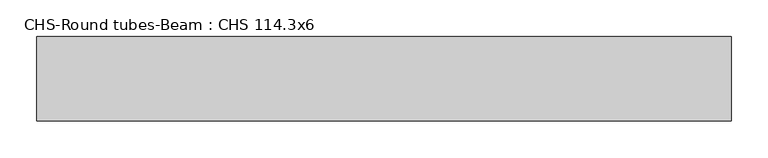
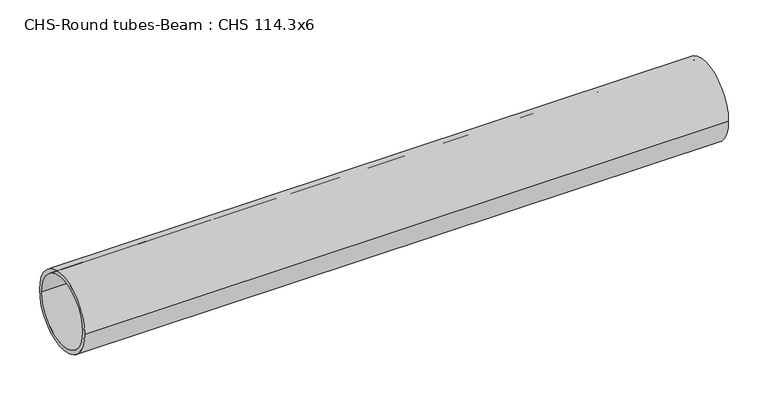
"""IFC4 building model written with IfcOpenShell, lengths in millimetres: beam geometry, CHS-Round tubes-Beam : CHS 114.3x6."""

import ifcopenshell
import ifcopenshell.guid

model = None  # the IFC model being written
_history = None  # IfcOwnerHistory: only IFC2X3 demands one
_inside = {}  # id of a spatial element -> (the spatial element, [elements in it])
_under = {}  # id of a project, library or spatial element -> (it, [spatial elements below it])
_declared = {}  # id of a project -> (the project, [libraries it declares])
_typed = {}  # id of a type object -> (the type object, [elements of that type])
_made_of = {}  # id of a material, layer set ... -> (it, [elements and type objects made of it])


def new_model(schema):
    """Start an empty IFC model of exactly this schema.

    Asked for "IFC4X3", IfcOpenShell would pick the latest addendum, in which some entities
    have other attributes; the version numbers below select the first issue.
    IFC2X3 requires an IfcOwnerHistory on every rooted entity: one is made here for all.
    """
    global model, _history
    if schema == "IFC4X3":
        model = ifcopenshell.file(schema_version=(4, 3, 0, 0))
    else:
        model = ifcopenshell.file(schema=schema)
    _inside.clear()
    _under.clear()
    _declared.clear()
    _typed.clear()
    _made_of.clear()
    _history = None
    if model.schema == "IFC2X3":
        org = make("IfcOrganization", Name="unknown")
        user = make(
            "IfcPersonAndOrganization",
            ThePerson=make("IfcPerson", FamilyName="unknown"),
            TheOrganization=org,
        )
        app = make(
            "IfcApplication",
            ApplicationDeveloper=org,
            Version="unknown",
            ApplicationFullName="unknown",
            ApplicationIdentifier="unknown",
        )
        _history = make(
            "IfcOwnerHistory",
            OwningUser=user,
            OwningApplication=app,
            ChangeAction="ADDED",
            CreationDate=0,
        )
    return model


def make(cls, **values):
    """One entity of the class cls with the attributes given. An attribute that is None is left unset."""
    return model.create_entity(
        cls, **{name: value for name, value in values.items() if value is not None}
    )


def rooted(cls, **values):
    """An entity with a GlobalId (a new one), such as an element, a storey or a relation."""
    return make(cls, GlobalId=ifcopenshell.guid.new(), OwnerHistory=_history, **values)


def si_unit(unit_type, name, prefix=None):
    """IfcSIUnit, for example si_unit("LENGTHUNIT", "METRE", prefix="MILLI")."""
    return make("IfcSIUnit", UnitType=unit_type, Prefix=prefix, Name=name)


def assignment(units):
    """IfcUnitAssignment: the units of a project."""
    return None if units is None else make("IfcUnitAssignment", Units=units)


def point(xyz):
    """IfcCartesianPoint."""
    return None if xyz is None else make("IfcCartesianPoint", Coordinates=xyz)


def direction(xyz):
    """IfcDirection."""
    return None if xyz is None else make("IfcDirection", DirectionRatios=xyz)


def frame(location, z_axis=None, x_axis=None):
    """IfcAxis2Placement3D, a coordinate frame: its origin and axes. An axis left out is left unset."""
    return make(
        "IfcAxis2Placement3D",
        Location=point(location),
        Axis=direction(z_axis),
        RefDirection=direction(x_axis),
    )


def frame_2d(location, x_axis=None):
    """IfcAxis2Placement2D, a coordinate frame in the plane: its origin and x axis."""
    return make(
        "IfcAxis2Placement2D", Location=point(location), RefDirection=direction(x_axis)
    )


def origin():
    """The frame at (0, 0, 0) with its axes left unset."""
    return frame((0.0, 0.0, 0.0))


def origin_2d():
    """The frame at (0, 0) in the plane with its x axis left unset."""
    return frame_2d((0.0, 0.0))


def place(relative_to, where):
    """IfcLocalPlacement: puts the frame where relative to a parent placement (None: the world)."""
    return make(
        "IfcLocalPlacement", PlacementRelTo=relative_to, RelativePlacement=where
    )


def context(
    kind, dimensions, precision=None, world=None, true_north=None, identifier=None
):
    """IfcGeometricRepresentationContext, for example the 3D "Model" context."""
    return make(
        "IfcGeometricRepresentationContext",
        ContextIdentifier=identifier,
        ContextType=kind,
        CoordinateSpaceDimension=dimensions,
        Precision=precision,
        WorldCoordinateSystem=world,
        TrueNorth=true_north,
    )


def project(units=None, contexts=None):
    """IfcProject with its units and contexts."""
    return rooted(
        "IfcProject",
        Name="project",
        RepresentationContexts=contexts,
        UnitsInContext=assignment(units),
    )


def spatial(cls, under=None, at=None, **own):
    """A site, building, storey or space (cls), placed at a placement, below another one or the project."""
    s = rooted(cls, ObjectPlacement=at, **own)
    if under is not None:
        _under.setdefault(under.id(), (under, []))[1].append(s)
    return s


def circle_curve(where, radius):
    """IfcCircle in the frame where."""
    return make("IfcCircle", Position=where, Radius=radius)


def trimmed(basis, trim1, trim2, sense, master):
    """IfcTrimmedCurve: the piece of a basis curve between two trims."""
    return make(
        "IfcTrimmedCurve",
        BasisCurve=basis,
        Trim1=trim1,
        Trim2=trim2,
        SenseAgreement=sense,
        MasterRepresentation=master,
    )


def segment(curve, same_sense, transition):
    """IfcCompositeCurveSegment."""
    return make(
        "IfcCompositeCurveSegment",
        Transition=transition,
        SameSense=same_sense,
        ParentCurve=curve,
    )


def composite_curve(segments, self_intersect=None):
    """IfcCompositeCurve: segments joined end to end."""
    return make("IfcCompositeCurve", Segments=segments, SelfIntersect=self_intersect)


def outline(outer, holes=None, kind="AREA"):
    """IfcArbitraryClosedProfileDef: a profile drawn as a closed curve; with holes, ...WithVoids."""
    if holes is None:
        return make("IfcArbitraryClosedProfileDef", ProfileType=kind, OuterCurve=outer)
    return make(
        "IfcArbitraryProfileDefWithVoids",
        ProfileType=kind,
        OuterCurve=outer,
        InnerCurves=holes,
    )


def extrude(swept, where, along, depth):
    """IfcExtrudedAreaSolid: the profile swept, set in the frame where, extruded along a direction by depth."""
    return make(
        "IfcExtrudedAreaSolid",
        SweptArea=swept,
        Position=where,
        ExtrudedDirection=direction(along),
        Depth=depth,
    )


def shape(context_of_items, identifier, shape_type, items):
    """IfcShapeRepresentation: the items that make up one representation, for example the "Body"."""
    return make(
        "IfcShapeRepresentation",
        ContextOfItems=context_of_items,
        RepresentationIdentifier=identifier,
        RepresentationType=shape_type,
        Items=items,
    )


def source(mapping_origin, context_of_items, identifier, shape_type, items):
    """IfcRepresentationMap: a shape defined once, which mapped items show again and again."""
    return make(
        "IfcRepresentationMap",
        MappingOrigin=mapping_origin,
        MappedRepresentation=shape(context_of_items, identifier, shape_type, items),
    )


def transform(
    local_origin,
    x_axis=None,
    y_axis=None,
    z_axis=None,
    scale=None,
    scale2=None,
    scale3=None,
    uniform=True,
):
    """IfcCartesianTransformationOperator3D, or its non-uniform kind. x_axis, y_axis, z_axis: its Axis1, 2, 3."""
    if uniform:
        return make(
            "IfcCartesianTransformationOperator3D",
            Axis1=direction(x_axis),
            Axis2=direction(y_axis),
            LocalOrigin=point(local_origin),
            Scale=scale,
            Axis3=direction(z_axis),
        )
    return make(
        "IfcCartesianTransformationOperator3DnonUniform",
        Axis1=direction(x_axis),
        Axis2=direction(y_axis),
        LocalOrigin=point(local_origin),
        Scale=scale,
        Axis3=direction(z_axis),
        Scale2=scale2,
        Scale3=scale3,
    )


def mapped(mapping_source, mapping_target):
    """IfcMappedItem: shows the shape of a source again, moved by a transform."""
    return make(
        "IfcMappedItem", MappingSource=mapping_source, MappingTarget=mapping_target
    )


def made_of(thing, what):
    """Note that an element or type object is made of a material, layer set ...; save() writes the relation."""
    if what is not None:
        _made_of.setdefault(what.id(), (what, []))[1].append(thing)
    return thing


def element(
    cls,
    number,
    at=None,
    inside=None,
    cuts=None,
    type_object=None,
    material=None,
    context=None,
    identifier="Body",
    shape_type=None,
    held_by="IfcProductDefinitionShape",
    body=None,
    shapes=None,
    **own,
):
    """One element of the class cls, such as IfcWall. Its Tag is "e" and its number.

    at: its placement. inside: the storey or other place that contains it. cuts: it is an
    opening in that element (IfcRelVoidsElement). A single representation is given by context,
    identifier, shape_type and body (its items); several are given by shapes. held_by: the class
    of the entity that holds the representations. save() writes the other relations.
    """
    e = rooted(cls, Tag="e%d" % number, ObjectPlacement=at, **own)
    if body is not None:
        shapes = [shape(context, identifier, shape_type, body)]
    if shapes is not None:
        e.Representation = make(held_by, Representations=shapes)
    if inside is not None:
        _inside.setdefault(inside.id(), (inside, []))[1].append(e)
    if cuts is not None:
        rooted(
            "IfcRelVoidsElement", RelatingBuildingElement=cuts, RelatedOpeningElement=e
        )
    if type_object is not None:
        _typed.setdefault(type_object.id(), (type_object, []))[1].append(e)
    return made_of(e, material)


def aggregate(whole, parts):
    """IfcRelAggregates: a whole, such as a stair, and the parts it consists of."""
    return rooted("IfcRelAggregates", RelatingObject=whole, RelatedObjects=parts)


def save(model, path):
    """Write the relations noted so far, then the file.

    IfcRelAggregates (storeys below a building ...), IfcRelContainedInSpatialStructure (elements
    in a storey), IfcRelDefinesByType, IfcRelAssociatesMaterial and IfcRelDeclares: one each for
    every whole, place, type object, material and project.
    """
    for whole, parts in _under.values():
        aggregate(whole, parts)
    for where, things in _inside.values():
        rooted(
            "IfcRelContainedInSpatialStructure",
            RelatedElements=things,
            RelatingStructure=where,
        )
    for kind, things in _typed.values():
        rooted("IfcRelDefinesByType", RelatedObjects=things, RelatingType=kind)
    for what, things in _made_of.values():
        rooted("IfcRelAssociatesMaterial", RelatedObjects=things, RelatingMaterial=what)
    for by, libraries in _declared.values():
        rooted("IfcRelDeclares", RelatingContext=by, RelatedDefinitions=libraries)
    model.write(path)


def chs_round_tubes_beam_chs_114_3x6_8889fe57(model_context):
    return source(origin(), model_context, "Body", "SweptSolid", [
        extrude(outline(composite_curve([segment(trimmed(circle_curve(origin_2d(), 57.15), [point((57.15, 0.0))], [point((-57.15, 0.0))], False, "CARTESIAN"), True, "CONTINUOUS"), segment(trimmed(circle_curve(origin_2d(), 57.15), [point((-57.15, 0.0))], [point((57.15, 0.0))], False, "CARTESIAN"), True, "CONTINUOUS")], self_intersect=False), holes=[composite_curve([segment(trimmed(circle_curve(origin_2d(), 51.15), [point((51.15, 0.0))], [point((-51.15, 0.0))], True, "CARTESIAN"), True, "CONTINUOUS"), segment(trimmed(circle_curve(origin_2d(), 51.15), [point((-51.15, 0.0))], [point((51.15, 0.0))], True, "CARTESIAN"), True, "CONTINUOUS")], self_intersect=False)]), frame((-500.6295161, 0.0, 0.0), z_axis=(1.0, 0.0, 0.0), x_axis=(0.0, 1.0, 0.0)), (0.0, 0.0, 1.0), 939.8402538),
    ])


if __name__ == "__main__":
    model = new_model("IFC4")
    model_context = context("Model", 3, world=origin())
    ifc_project = project(units=[si_unit("LENGTHUNIT", "METRE", prefix="MILLI")], contexts=[model_context])
    site = spatial("IfcSite", under=ifc_project)
    building = spatial("IfcBuilding", under=site)
    placement = place(None, origin())
    chs_round_tubes_beam_chs_114_3x6_shape = chs_round_tubes_beam_chs_114_3x6_8889fe57(model_context)
    element("IfcBeam", 1, ObjectType="CHS-Round tubes-Beam : CHS 114.3x6", at=placement, inside=building, context=model_context, shape_type="MappedRepresentation", body=[
        mapped(chs_round_tubes_beam_chs_114_3x6_shape, transform((0.0, 0.0, 0.0), x_axis=(1.0, 0.0, 0.0), y_axis=(0.0, 1.0, 0.0), z_axis=(0.0, 0.0, 1.0))),
    ])
    save(model, "model.ifc")
